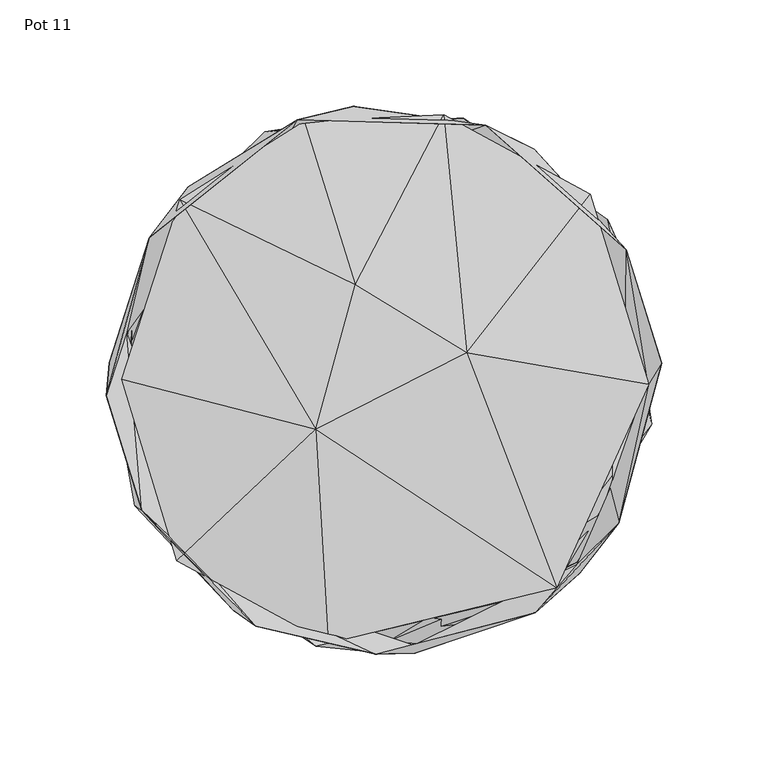
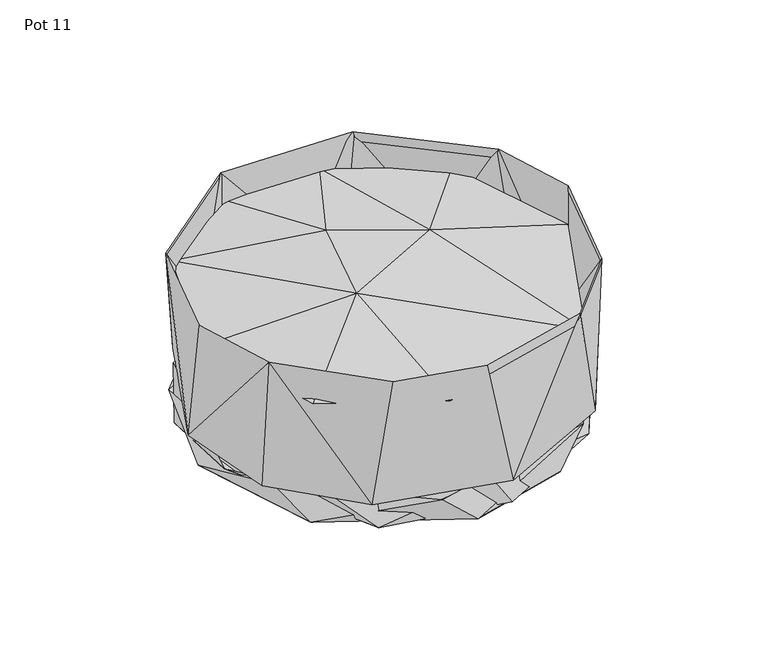
"""IFC4 building model written with IfcOpenShell, lengths in millimetres: furniture geometry, Pot 11."""

from ifc_helpers import new_model, si_unit, origin, place, context, project, spatial, triangles, source, transform, mapped, element, save


def pot_11_e3dc5c45(model_context):
    return source(origin(), model_context, "Body", "Tessellation", [
        triangles([(-14.3818858, 128.4055707, 22.6883135), (47.6813919, 119.6562047, 112.1282485), (70.501983, 108.3916397, 22.6883226), (29.5032273, 121.8417907, 25.8219522), (-40.8229806, 122.087597, 112.116703), (113.7787655, 61.129926, 112.006281), (-70.5013289, -108.3953368, 22.6882795), (14.3816474, -128.4081959, 22.6882863), (-3.8812161, -128.7511619, 112.1305194), (-60.241104, -115.6982159, 112.1282031), (-113.7799645, -61.1331462, 112.0059903), (-117.1739707, -59.0271928, 22.6882795), (13.9474874, -124.5874171, 25.8219181), (-79.6415232, -93.5032407, 25.8219113), (70.9865101, -109.4942069, 112.0925766), (90.7667889, -86.4738188, 25.821934), (91.9383199, -90.7615385, 22.6883022), (-120.7959062, 22.2183477, 25.8219204), (110.1595187, -67.2551381, 111.9910021), (125.1148559, -7.8978538, 25.8219477), (126.362445, 7.4194667, 22.6883158), (-128.9542291, 8.1330536, 22.6882863), (130.3183446, 7.7146289, 112.0348857), (100.9200845, 74.3709783, 25.8219545), (-130.3793783, -7.4419973, 111.9797019), (-110.3273046, 66.8523329, 111.9844618), (-91.939746, 90.7586771, 22.6882999), (-55.7181243, 112.3007579, 25.8219386)], [[1, 2, 3], [4, 2, 5], [3, 2, 6], [7, 8, 9], [7, 9, 10], [7, 10, 11], [7, 11, 12], [13, 14, 9], [13, 9, 15], [13, 15, 16], [8, 17, 15], [8, 15, 9], [14, 10, 9], [14, 11, 10], [14, 18, 11], [16, 15, 19], [16, 19, 20], [17, 19, 15], [17, 21, 19], [12, 11, 22], [20, 19, 23], [20, 23, 6], [20, 6, 24], [22, 11, 25], [22, 25, 26], [22, 26, 27], [18, 26, 25], [18, 25, 11], [18, 28, 26], [21, 23, 19], [21, 6, 23], [21, 3, 6], [27, 5, 1], [27, 26, 5], [24, 2, 4], [24, 6, 2], [28, 5, 26], [28, 4, 5], [1, 5, 2]], closed=False),
        triangles([(81.0093903, -97.696544, 89.3967599), (38.7471307, 12.7624273, 109.2589741), (-32.0926314, -23.2996952, 110.274092), (-123.2752243, 0.3111362, 89.8466598), (-95.9645549, 84.5996145, 90.6695474), (-13.5411622, 44.7714314, 108.0215769), (124.3881015, -1.9737482, 92.5050095), (96.9535752, 87.2342556, 88.9440441), (27.9489753, 124.5462859, 89.5925056), (-37.4532349, 121.5262395, 91.0299723), (-97.3937554, -84.9689233, 90.5641123), (-26.207446, -123.6134758, 91.3494205)], [[1, 2, 3], [4, 3, 5], [3, 2, 6], [3, 6, 5], [7, 8, 2], [2, 9, 6], [2, 8, 9], [6, 10, 5], [6, 9, 10], [11, 12, 3], [11, 3, 4], [12, 1, 3], [1, 7, 2]], closed=False),
        triangles([(-65.410079, -107.3814634, 3.3965888), (2.1208524, -122.8593613, 25.8047703), (16.0871744, -123.9759901, 3.7003024), (-89.7247831, -87.5328748, 25.8047612), (125.5483051, -3.4546853, 3.4526721), (24.8780259, 123.2039896, 3.4134297), (-116.2828822, 46.8690414, 3.5456329), (-122.1889898, -22.5746622, 14.6657677), (-31.9923763, -125.1487746, 22.686138), (-9.1179011, -127.355335, 2.5383168), (79.3476731, -98.58954, 22.6861539), (-97.0855348, -81.6838768, 2.8348353), (-110.8697043, -61.0244274, 22.6861357), (-124.1027719, 4.4999121, 1.3243938), (58.1328888, -108.2237993, 1.2619426), (90.3308417, -85.8039832, 3.8962888), (107.458112, -59.59356, 25.8047907), (114.3299945, 54.4579041, 2.3036494), (125.6310943, -20.9165807, 16.0765941), (-17.7212362, 122.3530786, 1.1811617), (-110.9023695, 62.6212367, 16.0765737), (107.0985773, 63.0017504, 14.6658063), (-101.783631, 73.1590973, 25.8047794), (104.9489992, 75.303911, 22.6861789), (-43.4485062, 116.4109722, 14.6656655), (-55.9363977, 116.4311199, 22.6861652), (54.3745744, 112.9390002, 25.8048044), (37.4927515, 122.9984789, 18.0451717)], [[1, 2, 3], [1, 4, 2], [1, 3, 5], [1, 5, 6], [1, 6, 7], [1, 7, 8], [1, 8, 4], [9, 10, 11], [9, 12, 10], [9, 13, 12], [10, 12, 14], [10, 14, 15], [10, 15, 11], [2, 16, 3], [2, 17, 16], [3, 16, 5], [15, 18, 19], [15, 14, 20], [15, 20, 18], [15, 19, 11], [12, 13, 14], [16, 17, 5], [13, 21, 14], [17, 22, 5], [8, 7, 23], [5, 22, 6], [19, 18, 24], [14, 21, 20], [7, 6, 25], [7, 25, 23], [21, 26, 20], [22, 27, 6], [18, 28, 24], [18, 20, 28], [26, 28, 20], [25, 6, 27]], closed=False),
    ])


if __name__ == "__main__":
    model = new_model("IFC4")
    model_context = context("Model", 3, world=origin())
    ifc_project = project(units=[si_unit("LENGTHUNIT", "METRE", prefix="MILLI")], contexts=[model_context])
    site = spatial("IfcSite", under=ifc_project)
    building = spatial("IfcBuilding", under=site)
    placement = place(None, origin())
    pot_11_shape = pot_11_e3dc5c45(model_context)
    element("IfcFurniture", 1, ObjectType="Pot 11", at=placement, inside=building, context=model_context, shape_type="MappedRepresentation", body=[
        mapped(pot_11_shape, transform((0.0, 0.0, 0.0), x_axis=(1.0, 0.0, 0.0), y_axis=(0.0, 1.0, 0.0), z_axis=(0.0, 0.0, 1.0))),
    ])
    save(model, "model.ifc")
